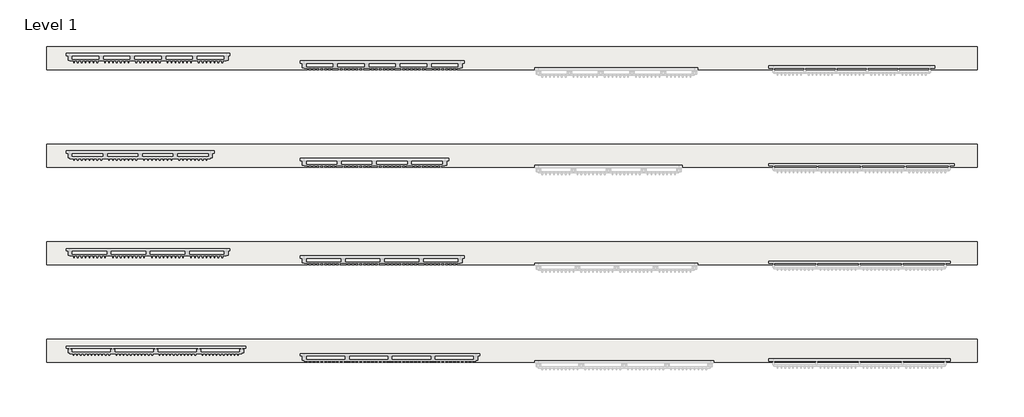
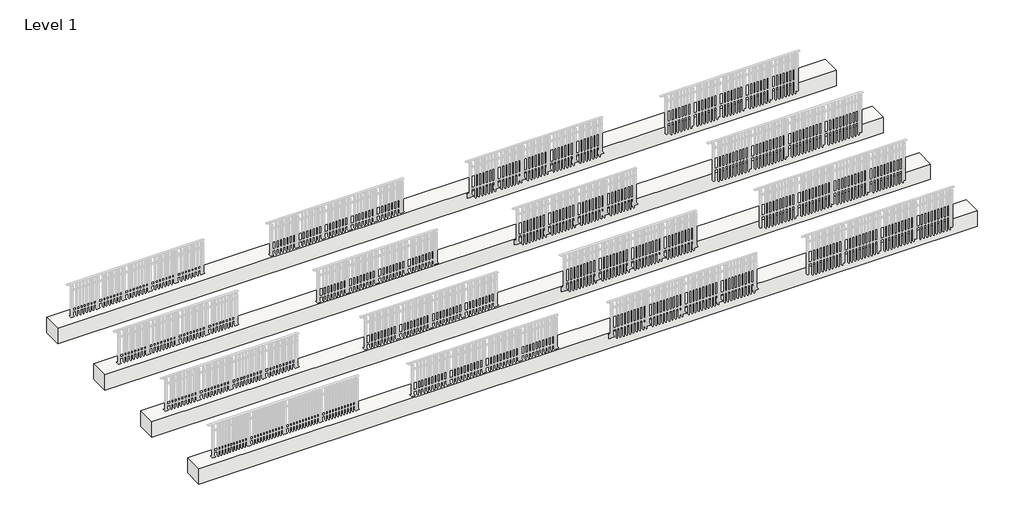
# One storey, part 1 of 17: 4 slabs.
"""IFC4 building model written with IfcOpenShell, lengths in millimetres."""

from ifc_helpers import new_model, si_unit, frame, origin, place, context, project, spatial, polyline, outline, extrude, element, save

model = new_model("IFC4")

# Units and contexts
model_context = context("Model", 3, world=origin())
ifc_project = project(units=[si_unit("LENGTHUNIT", "METRE", prefix="MILLI")], contexts=[model_context])

# Site, building, storey
site = spatial("IfcSite", under=ifc_project)
building = spatial("IfcBuilding", under=site)
storey = spatial("IfcBuildingStorey", under=building, Name="Level 1", Elevation=0.0)

# Slabs
placement = place(None, origin())
element("IfcSlab", 1, ObjectType="Generic 500", at=placement, inside=storey, context=model_context, shape_type="SweptSolid", body=[
    extrude(outline(polyline([(23250.0, -99.8153172), (-600.0, -99.8153172), (-600.0, 490.1846828), (23250.0, 490.1846828), (23250.0, -99.8153172)])), frame((0.0, 0.0, -500.0), z_axis=(0.0, 0.0, 1.0), x_axis=(1.0, 0.0, 0.0)), (0.0, 0.0, 1.0), 500.0),
])
element("IfcSlab", 2, ObjectType="Generic 500", at=placement, inside=storey, context=model_context, shape_type="SweptSolid", body=[
    extrude(outline(polyline([(23250.0, 2400.1846828), (-600.0, 2400.1846828), (-600.0, 2990.1846828), (23250.0, 2990.1846828), (23250.0, 2400.1846828)])), frame((0.0, 0.0, -500.0), z_axis=(0.0, 0.0, 1.0), x_axis=(1.0, 0.0, 0.0)), (0.0, 0.0, 1.0), 500.0),
])
element("IfcSlab", 3, ObjectType="Generic 500", at=placement, inside=storey, context=model_context, shape_type="SweptSolid", body=[
    extrude(outline(polyline([(23250.0, 4900.1846828), (-600.0, 4900.1846828), (-600.0, 5490.1846828), (23250.0, 5490.1846828), (23250.0, 4900.1846828)])), frame((0.0, 0.0, -500.0), z_axis=(0.0, 0.0, 1.0), x_axis=(1.0, 0.0, 0.0)), (0.0, 0.0, 1.0), 500.0),
])
element("IfcSlab", 4, ObjectType="Generic 500", at=placement, inside=storey, context=model_context, shape_type="SweptSolid", body=[
    extrude(outline(polyline([(23250.0, 7400.1846828), (-600.0, 7400.1846828), (-600.0, 7990.1846828), (23250.0, 7990.1846828), (23250.0, 7400.1846828)])), frame((0.0, 0.0, -500.0), z_axis=(0.0, 0.0, 1.0), x_axis=(1.0, 0.0, 0.0)), (0.0, 0.0, 1.0), 500.0),
])

save(model, "model.ifc")
